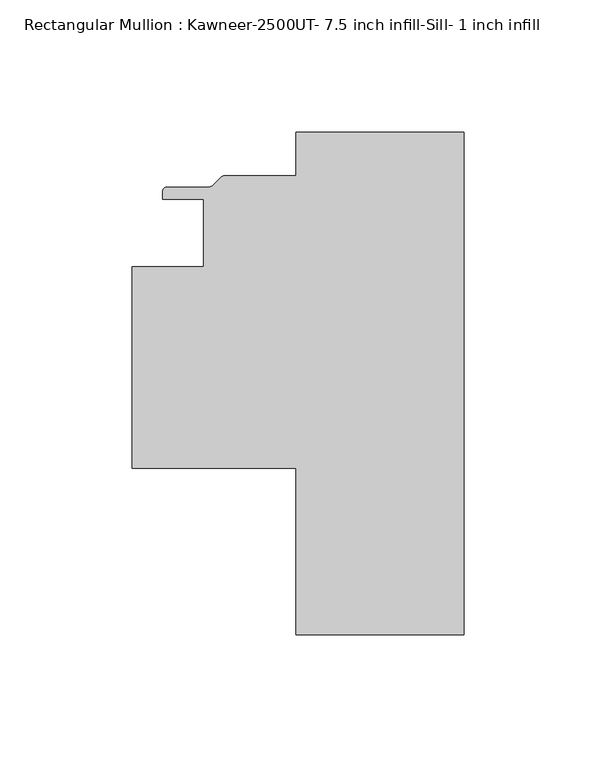
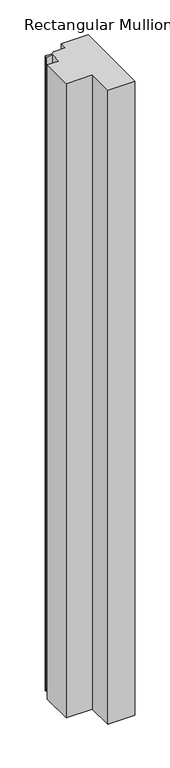
"""IFC4 building model written with IfcOpenShell, lengths in millimetres: member geometry, Rectangular Mullion : Kawneer-2500UT- 7.5 inch infill-Sill- 1 inch infill."""

from ifc_helpers import new_model, si_unit, point, frame, frame_2d, origin, place, context, project, spatial, polyline, circle_curve, trimmed, segment, composite_curve, outline, extrude, source, transform, mapped, element, save


def rectangular_mullion_kawneer_2500ut_7_5_inch_infill_sill_1_ba38ada7(model_context):
    return source(origin(), model_context, "Body", "SweptSolid", [
        extrude(outline(composite_curve([segment(polyline([(-63.5, -189.992), (-63.5, -127.000794), (-125.4185108, -127.000794), (-125.4185108, -50.800794), (-98.4310114, -50.800794), (-98.4310114, -25.4007941), (-113.9321604, -25.4007941), (-113.9321604, -22.479794)]), True, "CONTINUOUS"), segment(trimmed(circle_curve(frame_2d((-112.1541604, -22.479794)), 1.778), [point((-113.9321604, -22.479794))], [point((-112.1541604, -20.701794))], False, "CARTESIAN"), True, "CONTINUOUS"), segment(polyline([(-112.1541604, -20.701794), (-96.2861243, -20.701794)]), True, "CONTINUOUS"), segment(trimmed(circle_curve(frame_2d((-96.2861243, -18.923794)), 1.778), [point((-96.2861243, -20.701794))], [point((-95.0288884, -20.1810299))], True, "CARTESIAN"), True, "CONTINUOUS"), segment(polyline([(-95.0288884, -20.1810299), (-91.8032167, -16.9553581)]), True, "CONTINUOUS"), segment(trimmed(circle_curve(frame_2d((-90.5459809, -18.212594)), 1.778), [point((-91.8032167, -16.9553581))], [point((-90.5459809, -16.434594))], False, "CARTESIAN"), True, "CONTINUOUS"), segment(polyline([(-90.5459809, -16.434594), (-63.5, -16.434594), (-63.5, 0.0), (0.0, 0.0), (0.0, -189.992), (-63.5, -189.992)]), True, "CONTINUOUS")], self_intersect=False)), frame((0.0, 0.0, -1577.9824167), z_axis=(0.0, 0.0, 1.0), x_axis=(1.0, 0.0, 0.0)), (0.0, 0.0, 1.0), 1577.9824167),
    ])


if __name__ == "__main__":
    model = new_model("IFC4")
    model_context = context("Model", 3, world=origin())
    ifc_project = project(units=[si_unit("LENGTHUNIT", "METRE", prefix="MILLI")], contexts=[model_context])
    site = spatial("IfcSite", under=ifc_project)
    building = spatial("IfcBuilding", under=site)
    placement = place(None, origin())
    rectangular_mullion_kawneer_2500ut_7_5_inch_infill_sill_1_shape = rectangular_mullion_kawneer_2500ut_7_5_inch_infill_sill_1_ba38ada7(model_context)
    element("IfcMember", 1, ObjectType="Rectangular Mullion : Kawneer-2500UT- 7.5 inch infill-Sill- 1 inch infill", at=placement, inside=building, context=model_context, shape_type="MappedRepresentation", body=[
        mapped(rectangular_mullion_kawneer_2500ut_7_5_inch_infill_sill_1_shape, transform((0.0, 0.0, 0.0), x_axis=(1.0, 0.0, 0.0), y_axis=(0.0, 1.0, 0.0), z_axis=(0.0, 0.0, 1.0))),
    ])
    save(model, "model.ifc")
